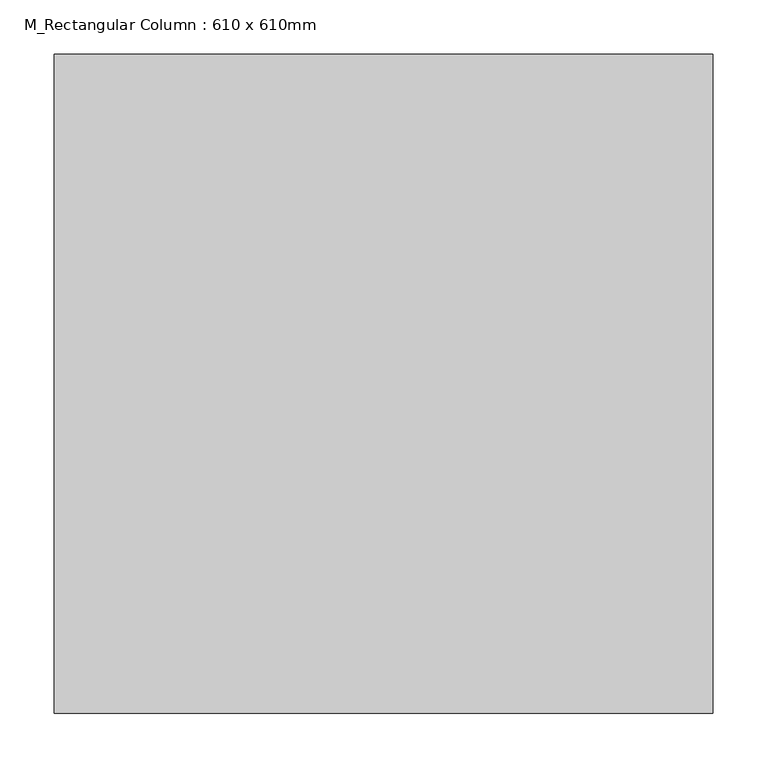
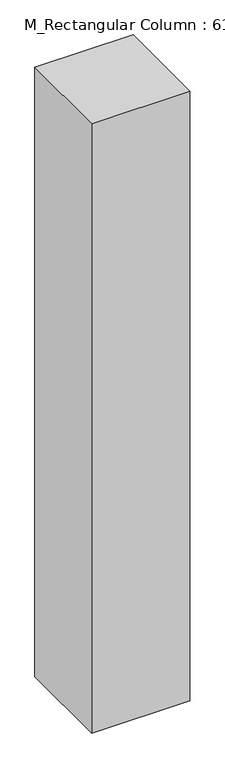
"""IFC4 building model written with IfcOpenShell, lengths in millimetres: column geometry, M_Rectangular Column : 610 x 610mm."""

from ifc_helpers import new_model, si_unit, frame, origin, place, context, project, spatial, polyline, outline, extrude, source, transform, mapped, element, save


def m_rectangular_column_610_x_610mm_9b089cae(model_context):
    return source(origin(), model_context, "Body", "SweptSolid", [
        extrude(outline(polyline([(305.0, 305.0), (305.0, -305.0), (-305.0, -305.0), (-305.0, 305.0), (305.0, 305.0)])), frame((0.0, 0.0, 10000.0), z_axis=(0.0, 0.0, 1.0), x_axis=(1.0, 0.0, 0.0)), (0.0, 0.0, 1.0), 4000.0),
    ])


if __name__ == "__main__":
    model = new_model("IFC4")
    model_context = context("Model", 3, world=origin())
    ifc_project = project(units=[si_unit("LENGTHUNIT", "METRE", prefix="MILLI")], contexts=[model_context])
    site = spatial("IfcSite", under=ifc_project)
    building = spatial("IfcBuilding", under=site)
    placement = place(None, origin())
    m_rectangular_column_610_x_610mm_shape = m_rectangular_column_610_x_610mm_9b089cae(model_context)
    element("IfcColumn", 1, ObjectType="M_Rectangular Column : 610 x 610mm", at=placement, inside=building, context=model_context, shape_type="MappedRepresentation", body=[
        mapped(m_rectangular_column_610_x_610mm_shape, transform((0.0, 0.0, 0.0), x_axis=(1.0, 0.0, 0.0), y_axis=(0.0, 1.0, 0.0), z_axis=(0.0, 0.0, 1.0))),
    ])
    save(model, "model.ifc")
